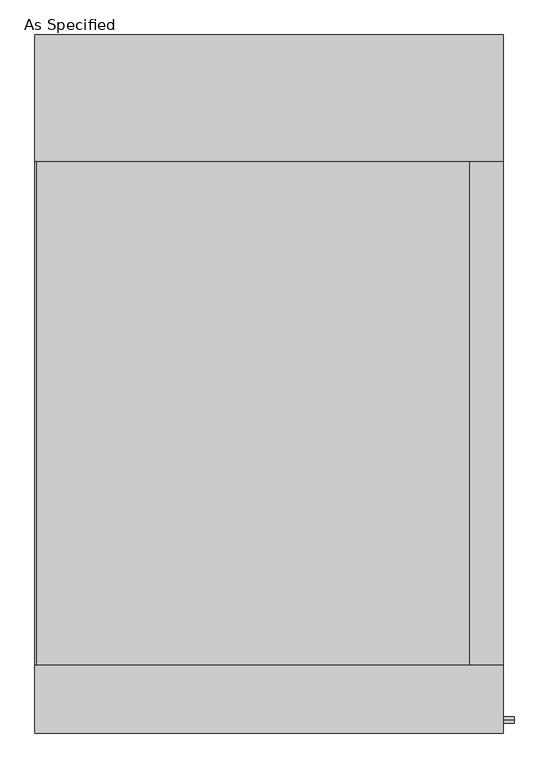
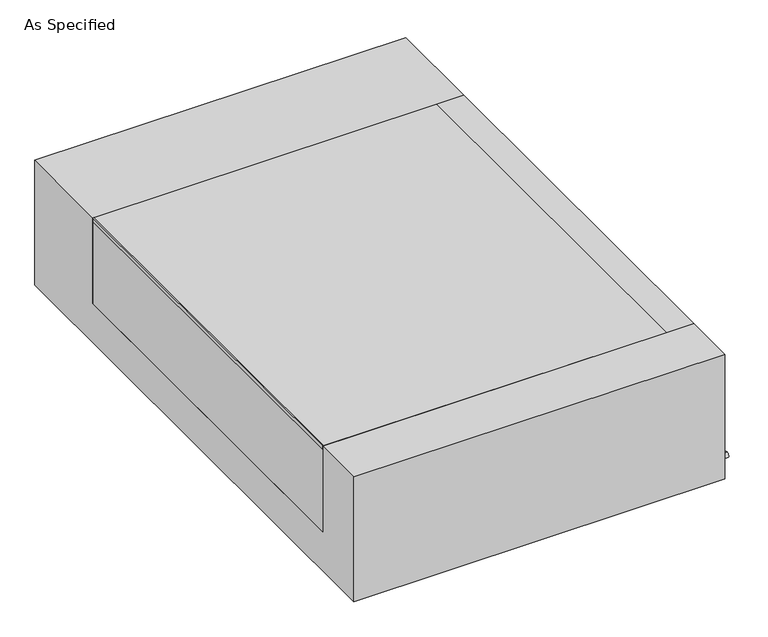
"""IFC4 building model written with IfcOpenShell, lengths in millimetres: proxy geometry, As Specified."""

from ifc_helpers import new_model, si_unit, point, frame, frame_2d, origin, place, context, project, spatial, polyline, circle_curve, trimmed, segment, composite_curve, outline, extrude, source, transform, mapped, element, save


def as_specified_9d6fc80e(model_context):
    return source(origin(), model_context, "Body", "SweptSolid", [
        extrude(outline(composite_curve([segment(trimmed(circle_curve(frame_2d((-1017.5875, -466.725)), 10.5), [point((-1017.5875, -456.225))], [point((-1017.5875, -477.225))], False, "CARTESIAN"), True, "CONTINUOUS"), segment(trimmed(circle_curve(frame_2d((-1017.5875, -466.725)), 10.5), [point((-1017.5875, -477.225))], [point((-1017.5875, -456.225))], False, "CARTESIAN"), True, "CONTINUOUS")], self_intersect=False)), frame((709.6125, 0.0, 0.0), z_axis=(1.0, 0.0, 0.0), x_axis=(0.0, 1.0, 0.0)), (0.0, 0.0, 1.0), 31.8403384),
        extrude(outline(polyline([(607.21875, -850.9), (607.21875, 673.1), (709.6125, 673.1), (709.6125, -850.9), (607.21875, -850.9)])), frame((0.0, 0.0, -373.0625), z_axis=(0.0, 0.0, 1.0), x_axis=(1.0, 0.0, 0.0)), (0.0, 0.0, 1.0), 347.6625),
        extrude(outline(polyline([(-705.64375, -850.9), (-709.6125, -850.9), (-709.6125, 673.1), (-705.64375, 673.1), (-705.64375, -850.9)])), frame((0.0, 0.0, -39.6875), z_axis=(0.0, 0.0, 1.0), x_axis=(1.0, 0.0, 0.0)), (0.0, 0.0, 1.0), 14.2875),
        extrude(outline(polyline([(607.21875, 673.1), (607.21875, -850.9), (-709.6125, -850.9), (-709.6125, 673.1), (607.21875, 673.1)])), frame((0.0, 0.0, -373.0625), z_axis=(0.0, 0.0, 1.0), x_axis=(1.0, 0.0, 0.0)), (0.0, 0.0, 1.0), 347.6625),
        extrude(outline(polyline([(1057.275, -25.4), (1057.275, -530.225), (-1057.275, -530.225), (-1057.275, -25.4), (-850.9, -25.4), (-850.9, -373.0625), (673.1, -373.0625), (673.1, -25.4), (1057.275, -25.4)])), frame((-709.6125, 0.0, 0.0), z_axis=(1.0, 0.0, 0.0), x_axis=(0.0, 1.0, 0.0)), (0.0, 0.0, 1.0), 1419.225),
    ])


if __name__ == "__main__":
    model = new_model("IFC4")
    model_context = context("Model", 3, world=origin())
    ifc_project = project(units=[si_unit("LENGTHUNIT", "METRE", prefix="MILLI")], contexts=[model_context])
    site = spatial("IfcSite", under=ifc_project)
    building = spatial("IfcBuilding", under=site)
    placement = place(None, origin())
    as_specified_shape = as_specified_9d6fc80e(model_context)
    element("IfcBuildingElementProxy", 1, Name="As Specified", ObjectType="As Specified", at=placement, inside=building, context=model_context, shape_type="MappedRepresentation", body=[
        mapped(as_specified_shape, transform((0.0, 0.0, 0.0), x_axis=(1.0, 0.0, 0.0), y_axis=(0.0, 1.0, 0.0), z_axis=(0.0, 0.0, 1.0))),
    ])
    save(model, "model.ifc")
